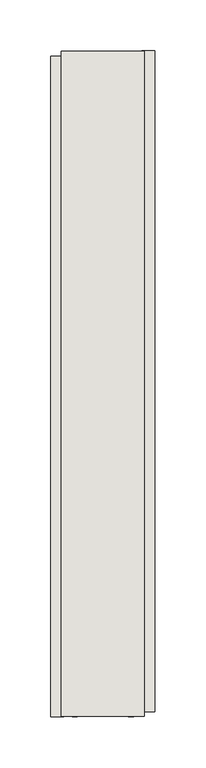
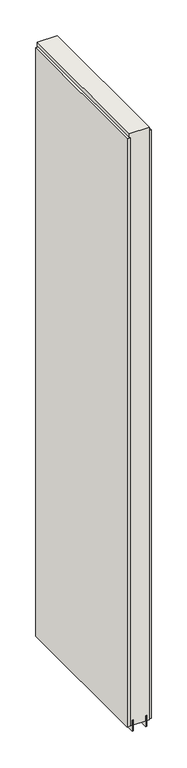
"""IFC4 building model written with IfcOpenShell, lengths in millimetres: wall geometry."""

from ifc_helpers import new_model, si_unit, frame, origin, place, context, project, spatial, polyline, outline, extrude, source, transform, mapped, element, save


def wall_d98f82c2(model_context):
    return source(origin(), model_context, "Body", "SweptSolid", [
        extrude(outline(polyline([(61018.457211, -39612.0019798), (61018.457211, -39614.5419798), (61015.917211, -39614.5419798), (61015.917211, -39612.0019798), (61018.457211, -39612.0019798)])), frame((0.0, 0.0, 4419.6), z_axis=(0.0, 0.0, 1.0), x_axis=(1.0, 0.0, 0.0)), (0.0, 0.0, 1.0), 2.54),
        extrude(outline(polyline([(60966.387211, -40264.3587523), (60966.387211, -39616.4708177), (60979.087211, -39616.4708177), (60979.087211, -40264.3587523), (60966.387211, -40264.3587523)])), frame((0.0, 0.0, 4445.0), z_axis=(0.0, 0.0, 1.0), x_axis=(1.0, 0.0, 0.0)), (0.0, 0.0, 1.0), 2545.0498756),
        extrude(outline(polyline([(61067.987211, -39611.5409063), (61067.987211, -40259.4288409), (61055.287211, -40259.4288409), (61055.287211, -39611.5409063), (61067.987211, -39611.5409063)])), frame((0.0, 0.0, 4445.0), z_axis=(0.0, 0.0, 1.0), x_axis=(1.0, 0.0, 0.0)), (0.0, 0.0, 1.0), 2545.0498756),
        extrude(outline(polyline([(60992.1034664, -39612.0100316), (60992.1034664, -40263.9020222), (60987.024711, -40263.9020222), (60987.024711, -39612.0100316), (60992.1034664, -39612.0100316)])), frame((0.0, 0.0, 4418.6602), z_axis=(0.0, 0.0, 1.0), x_axis=(1.0, 0.0, 0.0)), (0.0, 0.0, 1.0), 47.625),
        extrude(outline(polyline([(60992.1034664, -39612.0100316), (60992.1034664, -40263.9020222), (60987.024711, -40263.9020222), (60987.024711, -39612.0100316), (60992.1034664, -39612.0100316)])), frame((0.0, 0.0, 4418.6602), z_axis=(0.0, 0.0, 1.0), x_axis=(1.0, 0.0, 0.0)), (0.0, 0.0, 1.0), 47.625),
        extrude(outline(polyline([(61042.2709556, -40263.9020222), (61042.2709556, -39612.0100316), (61047.349711, -39612.0100316), (61047.349711, -40263.9020222), (61042.2709556, -40263.9020222)])), frame((0.0, 0.0, 4418.6602), z_axis=(0.0, 0.0, 1.0), x_axis=(1.0, 0.0, 0.0)), (0.0, 0.0, 1.0), 47.625),
        extrude(outline(polyline([(61042.2709556, -40263.9020222), (61042.2709556, -39612.0100316), (61047.349711, -39612.0100316), (61047.349711, -40263.9020222), (61042.2709556, -40263.9020222)])), frame((0.0, 0.0, 4418.6602), z_axis=(0.0, 0.0, 1.0), x_axis=(1.0, 0.0, 0.0)), (0.0, 0.0, 1.0), 47.625),
        extrude(outline(polyline([(60976.5323266, -39612.0100316), (61057.8420954, -39612.0100316), (61057.8420954, -40263.9020222), (60976.5323266, -40263.9020222), (60976.5323266, -39612.0100316)])), frame((0.0, 0.0, 4445.0), z_axis=(0.0, 0.0, 1.0), x_axis=(1.0, 0.0, 0.0)), (0.0, 0.0, 1.0), 2562.4536762),
    ])


if __name__ == "__main__":
    model = new_model("IFC4")
    model_context = context("Model", 3, world=origin())
    ifc_project = project(units=[si_unit("LENGTHUNIT", "METRE", prefix="MILLI")], contexts=[model_context])
    site = spatial("IfcSite", under=ifc_project)
    building = spatial("IfcBuilding", under=site)
    placement = place(None, origin())
    wall_shape = wall_d98f82c2(model_context)
    element("IfcWall", 1, at=placement, inside=building, context=model_context, shape_type="MappedRepresentation", body=[
        mapped(wall_shape, transform((0.0, 0.0, 0.0), x_axis=(1.0, 0.0, 0.0), y_axis=(0.0, 1.0, 0.0), z_axis=(0.0, 0.0, 1.0))),
    ])
    save(model, "model.ifc")
